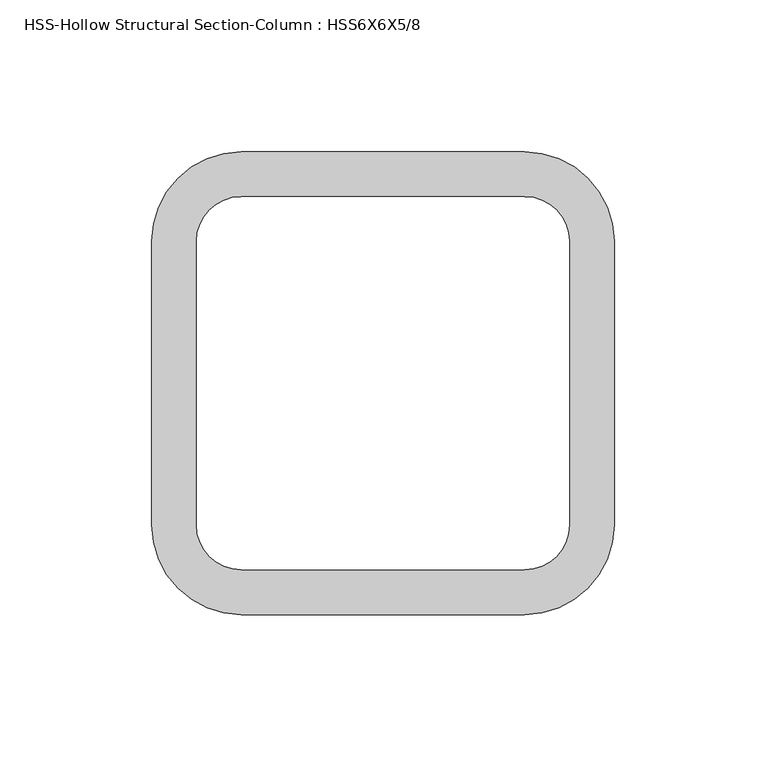
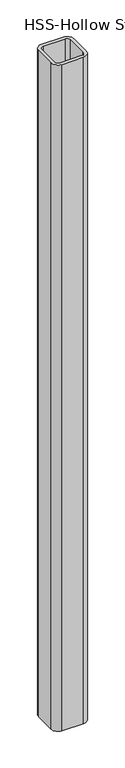
"""IFC4 building model written with IfcOpenShell, lengths in millimetres: column geometry, HSS-Hollow Structural Section-Column : HSS6X6X5/8."""

from ifc_helpers import new_model, si_unit, point, frame, frame_2d, origin, place, context, project, spatial, polyline, circle_curve, trimmed, segment, composite_curve, outline, extrude, source, transform, mapped, element, save


def hss_hollow_structural_section_column_hss6x6x5_8_497c4d75(model_context):
    return source(origin(), model_context, "Body", "SweptSolid", [
        extrude(outline(composite_curve([segment(trimmed(circle_curve(frame_2d((46.6852, 46.6852)), 29.5148), [point((46.6852, 76.2))], [point((76.2, 46.6852))], False, "CARTESIAN"), True, "CONTINUOUS"), segment(polyline([(76.2, 46.6852), (76.2, -46.6852)]), True, "CONTINUOUS"), segment(trimmed(circle_curve(frame_2d((46.6852, -46.6852)), 29.5148), [point((76.2, -46.6852))], [point((46.6852, -76.2))], False, "CARTESIAN"), True, "CONTINUOUS"), segment(polyline([(46.6852, -76.2), (-46.6852, -76.2)]), True, "CONTINUOUS"), segment(trimmed(circle_curve(frame_2d((-46.6852, -46.6852)), 29.5148), [point((-46.6852, -76.2))], [point((-76.2, -46.6852))], False, "CARTESIAN"), True, "CONTINUOUS"), segment(polyline([(-76.2, -46.6852), (-76.2, 46.6852)]), True, "CONTINUOUS"), segment(trimmed(circle_curve(frame_2d((-46.6852, 46.6852)), 29.5148), [point((-76.2, 46.6852))], [point((-46.6852, 76.2))], False, "CARTESIAN"), True, "CONTINUOUS"), segment(polyline([(-46.6852, 76.2), (46.6852, 76.2)]), True, "CONTINUOUS")], self_intersect=False), holes=[composite_curve([segment(polyline([(46.6852, 61.4426), (-46.6852, 61.4426)]), True, "CONTINUOUS"), segment(trimmed(circle_curve(frame_2d((-46.6852, 46.6852)), 14.7574), [point((-46.6852, 61.4426))], [point((-61.4426, 46.6852))], True, "CARTESIAN"), True, "CONTINUOUS"), segment(polyline([(-61.4426, 46.6852), (-61.4426, -46.6852)]), True, "CONTINUOUS"), segment(trimmed(circle_curve(frame_2d((-46.6852, -46.6852)), 14.7574), [point((-61.4426, -46.6852))], [point((-46.6852, -61.4426))], True, "CARTESIAN"), True, "CONTINUOUS"), segment(polyline([(-46.6852, -61.4426), (46.6852, -61.4426)]), True, "CONTINUOUS"), segment(trimmed(circle_curve(frame_2d((46.6852, -46.6852)), 14.7574), [point((46.6852, -61.4426))], [point((61.4426, -46.6852))], True, "CARTESIAN"), True, "CONTINUOUS"), segment(polyline([(61.4426, -46.6852), (61.4426, 46.6852)]), True, "CONTINUOUS"), segment(trimmed(circle_curve(frame_2d((46.6852, 46.6852)), 14.7574), [point((61.4426, 46.6852))], [point((46.6852, 61.4426))], True, "CARTESIAN"), True, "CONTINUOUS")], self_intersect=False)]), frame((0.0, 0.0, 12192.0), z_axis=(0.0, 0.0, 1.0), x_axis=(1.0, 0.0, 0.0)), (0.0, 0.0, 1.0), 3048.0),
    ])


if __name__ == "__main__":
    model = new_model("IFC4")
    model_context = context("Model", 3, world=origin())
    ifc_project = project(units=[si_unit("LENGTHUNIT", "METRE", prefix="MILLI")], contexts=[model_context])
    site = spatial("IfcSite", under=ifc_project)
    building = spatial("IfcBuilding", under=site)
    placement = place(None, origin())
    hss_hollow_structural_section_column_hss6x6x5_8_shape = hss_hollow_structural_section_column_hss6x6x5_8_497c4d75(model_context)
    element("IfcColumn", 1, ObjectType="HSS-Hollow Structural Section-Column : HSS6X6X5/8", at=placement, inside=building, context=model_context, shape_type="MappedRepresentation", body=[
        mapped(hss_hollow_structural_section_column_hss6x6x5_8_shape, transform((0.0, 0.0, 0.0), x_axis=(1.0, 0.0, 0.0), y_axis=(0.0, 1.0, 0.0), z_axis=(0.0, 0.0, 1.0))),
    ])
    save(model, "model.ifc")
